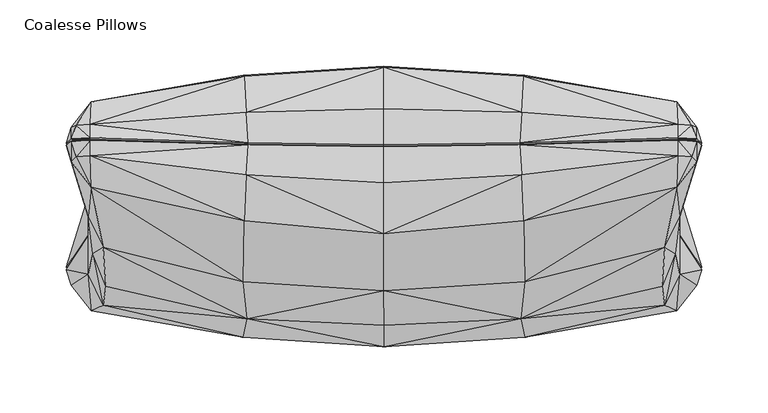
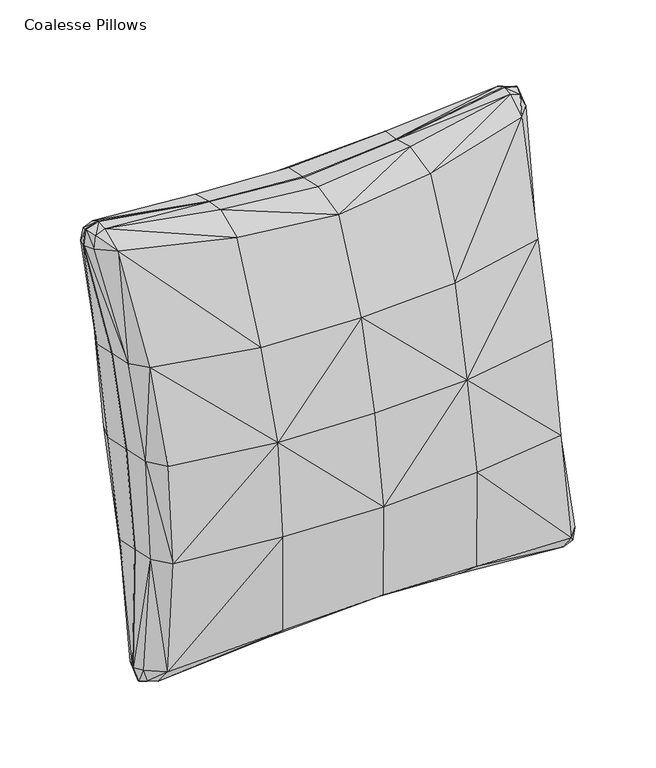
"""IFC4 building model written with IfcOpenShell, lengths in millimetres: furniture geometry, Coalesse Pillows."""

from ifc_helpers import new_model, si_unit, origin, place, context, project, spatial, triangles, source, transform, mapped, element, save


def coalesse_pillows_51412530(model_context):
    return source(origin(), model_context, "Body", "Tessellation", [
        triangles([(0.0007767, -20.6252127, 443.2149161), (0.0007799, -63.9202445, 350.4573875), (106.2746723, -56.9883047, 348.9054111), (105.8124821, -10.9353472, 447.9091427), (0.0007818, -89.7054529, 255.7040687), (103.4107482, -84.9586042, 254.6738082), (212.4144509, -31.0219641, 346.9980783), (221.1416798, 14.5798559, 457.3917034), (210.2189635, -60.4726624, 249.3592162), (222.0463484, 38.4239673, 469.4511054), (104.0326489, 23.8197511, 458.5607818), (0.0007738, 18.0215506, 452.5423991), (220.1141626, -35.8377948, 244.0123768), (223.6261939, -7.8186617, 341.6813244), (236.3982159, 33.9021753, 453.3356283), (232.8559902, 37.6138424, 465.3564425), (102.5284347, 46.509157, 453.5044044), (0.0007718, 45.0244683, 446.6728809), (222.0598105, 50.1318146, 470.0569187), (236.2873941, 49.3623258, 466.31674), (240.3162543, 46.1047985, 451.4463178), (223.6976103, 20.9297953, 335.6606163), (220.1281697, -0.6210818, 236.3686937), (102.6916515, 46.9884655, 451.5203685), (0.0007718, 45.5048896, 444.6850299), (221.9570552, 50.6062679, 468.1886825), (235.1064888, 49.9121969, 464.9908399), (238.6095634, 46.9151187, 451.1822714), (221.860713, 21.8351066, 335.6304946), (218.2847503, 0.2497345, 236.1796791), (0.0007673, 105.075227, 415.9322064), (105.812473, 98.2033172, 424.2211264), (106.2746541, 99.0693163, 315.033823), (0.0007672, 106.0209087, 313.5724297), (103.4107392, 85.4580377, 217.6856044), (0.0007684, 90.2048864, 216.6553439), (221.1416798, 78.9150505, 443.4280209), (212.4144509, 74.6486775, 324.0626687), (210.2189635, 60.9721186, 223.0001965), (222.0463484, 62.2157882, 464.2871764), (104.0326398, 70.9912018, 448.3224532), (0.0007696, 73.7726909, 440.4418659), (220.1141626, 36.3372442, 228.3470903), (223.6261939, 51.329098, 328.8435542), (236.3982159, 59.6498565, 447.7471976), (232.8559902, 61.2555225, 460.2251424), (102.5284347, 48.2471959, 453.1272471), (0.0007717, 46.7661998, 446.294888), (222.0598105, 51.8125351, 469.6920791), (236.2873941, 50.9622554, 465.9694865), (240.3162543, 47.7619648, 451.086674), (223.6976103, 22.6714268, 335.2825871), (220.1281697, 1.1205513, 235.9906644), (-105.8109288, -10.9353745, 447.9091427), (-106.2731099, -56.9883184, 348.9054111), (-103.4091858, -84.9586224, 254.6738082), (-221.1401719, 14.5798218, 457.3917034), (-212.4129066, -31.0219936, 346.9980783), (-210.2174011, -60.4726942, 249.3592162), (-222.044786, 38.4239355, 469.4511054), (-104.0311046, 23.8197352, 458.5607818), (-220.112582, -35.8378243, 244.0123768), (-223.6246133, -7.8186952, 341.6813244), (-236.3966171, 33.902139, 453.3356283), (-232.8543915, 37.613806, 465.3564425), (-102.5268814, 46.5091433, 453.5044044), (-222.0582481, 50.1317738, 470.0569187), (-236.2858681, 49.3622895, 466.31674), (-240.3146919, 46.1047621, 451.4463178), (-223.6960297, 20.9297613, 335.6606163), (-220.1266255, -0.6211389, 236.3687482), (-102.6900982, 46.9884518, 451.5202231), (-221.9555291, 50.6062361, 468.1886825), (-235.1049263, 49.9121605, 464.9908399), (-238.6080192, 46.9150824, 451.1822714), (-221.8591324, 21.8350726, 335.6304946), (-218.2831879, 0.2496778, 236.1796791), (-106.2731189, 99.0692981, 315.033823), (-105.8109379, 98.203299, 424.2211264), (-103.409204, 85.4580105, 217.6856044), (-212.4129066, 74.6486503, 324.0626687), (-221.1401719, 78.9150232, 443.4280209), (-210.2174011, 60.9720868, 223.0001965), (-222.044786, 62.2157609, 464.2871764), (-104.0311046, 70.9911882, 448.3224532), (-220.112582, 36.3372147, 228.3470903), (-223.6246133, 51.3290708, 328.8435542), (-236.3966171, 59.6498156, 447.7471976), (-232.8543915, 61.2554861, 460.2251424), (-102.5268814, 48.2471822, 453.1272471), (-222.0582481, 51.8125078, 469.6920791), (-236.2858681, 50.9622191, 465.9694865), (-240.3146919, 47.7619284, 451.086674), (-223.6960297, 22.6713951, 335.2825871), (-220.1266255, 1.1204941, 235.9907371), (0.000783, -105.0755358, 54.1247441), (105.8124912, -98.2035897, 45.8357924), (106.2746723, -99.0692709, 155.0246218), (0.000783, -106.0208724, 156.485997), (221.1416798, -78.9153048, 26.628882), (212.4144509, -74.6486094, 145.995767), (222.0463484, -62.2160289, 5.7697298), (104.032658, -70.991488, 21.7344769), (0.0007806, -73.7729725, 29.6150437), (223.6261939, -51.3290208, 141.2148815), (236.3982159, -59.6501063, 22.3097211), (232.8559902, -61.2557814, 9.8317866), (102.5284347, -48.2474911, 16.9296568), (0.0007786, -46.7665086, 23.7620466), (222.0598105, -51.8128031, 0.3647804), (236.2873941, -50.9625098, 4.0875077), (240.3162543, -47.7622418, 18.970281), (223.6976103, -22.6713701, 134.7759032), (0.0007785, -45.5052121, 25.3718502), (102.6916515, -46.9887607, 18.5365979), (221.9570552, -50.6065404, 1.8682182), (235.1064888, -49.9124694, 5.0660374), (238.6095634, -46.9153912, 18.8746155), (221.860713, -21.8350476, 134.427932), (0.0007736, 20.6249039, 26.841998), (0.0007704, 63.9202535, 119.6010391), (106.2746541, 56.9883275, 121.1530246), (105.8124821, 10.935035, 22.1477147), (212.4144509, 31.0220186, 123.0604391), (221.1416798, -14.5801375, 12.6652414), (222.0463484, -38.4242217, 0.6058514), (104.0326489, -23.8200554, 11.4960972), (0.0007765, -18.0218651, 17.5145264), (223.6261939, 7.8187258, 128.3771113), (236.3982159, -33.9024478, 16.7213086), (232.8559902, -37.6141217, 4.7004818), (102.5284347, -46.5094522, 16.552419), (0.0007785, -45.0247772, 23.3839742), (222.0598105, -50.1320826, 0.0), (236.2873941, -49.3625802, 3.7402511), (240.3162543, -46.1050755, 18.6106259), (223.6976103, -20.9297363, 134.3978376), (-106.2731099, -99.069289, 155.0246218), (-105.8109288, -98.203617, 45.8357924), (-212.4129066, -74.6486412, 145.995767), (-221.1401719, -78.9153412, 26.628941), (-222.044786, -62.2160561, 5.7697298), (-104.0310956, -70.9915016, 21.7344769), (-223.6246133, -51.3290481, 141.2148815), (-236.3966171, -59.6501472, 22.3097211), (-232.8543915, -61.2558177, 9.8317866), (-102.5268814, -48.2474956, 16.9297159), (-222.0582481, -51.8128167, 0.3648997), (-236.2858681, -50.9625461, 4.0875077), (-240.3146919, -47.7622781, 18.970281), (-223.6960297, -22.6714041, 134.7759032), (-102.6900982, -46.9887743, 18.5365979), (-221.9555291, -50.6065722, 1.8682182), (-235.1049263, -49.9125057, 5.0660374), (-238.6080192, -46.9154276, 18.8746155), (-221.8591324, -21.8350816, 134.427932), (-105.8109288, 10.9350202, 22.1477147), (-106.2731189, 56.9883138, 121.1530246), (-221.1401719, -14.5801704, 12.6652414), (-212.4129066, 31.0219891, 123.0604391), (-222.044786, -38.4242489, 0.6058514), (-104.0311046, -23.8200713, 11.4960972), (-223.6246133, 7.8186923, 128.3771113), (-236.3966171, -33.9024841, 16.7213086), (-232.8543915, -37.6141603, 4.7004818), (-102.5268814, -46.5094658, 16.552419), (-222.0582481, -50.1321099, 0.0), (-236.2858681, -49.3626165, 3.7402511), (-240.3146919, -46.1051118, 18.6106259), (-223.6960297, -20.9297703, 134.3978376)], [[1, 2, 3], [1, 3, 4], [2, 5, 6], [2, 6, 3], [3, 7, 8], [3, 8, 4], [6, 9, 7], [6, 7, 3], [10, 11, 4], [10, 4, 8], [1, 4, 11], [1, 11, 12], [13, 14, 7], [13, 7, 9], [8, 7, 14], [8, 14, 15], [16, 10, 8], [16, 8, 15], [17, 18, 12], [17, 12, 11], [17, 11, 10], [17, 10, 19], [19, 10, 16], [19, 16, 20], [20, 16, 15], [20, 15, 21], [21, 15, 14], [21, 14, 22], [22, 14, 13], [22, 13, 23], [17, 24, 25], [17, 25, 18], [24, 17, 19], [24, 19, 26], [26, 19, 20], [26, 20, 27], [27, 20, 21], [27, 21, 28], [28, 21, 22], [28, 22, 29], [29, 22, 23], [29, 23, 30], [31, 32, 33], [31, 33, 34], [34, 33, 35], [34, 35, 36], [33, 32, 37], [33, 37, 38], [35, 33, 38], [35, 38, 39], [40, 37, 32], [40, 32, 41], [31, 42, 41], [31, 41, 32], [43, 39, 38], [43, 38, 44], [37, 45, 44], [37, 44, 38], [46, 45, 37], [46, 37, 40], [47, 41, 42], [47, 42, 48], [47, 49, 40], [47, 40, 41], [49, 50, 46], [49, 46, 40], [50, 51, 45], [50, 45, 46], [51, 52, 44], [51, 44, 45], [52, 53, 43], [52, 43, 44], [47, 48, 25], [47, 25, 24], [24, 26, 49], [24, 49, 47], [26, 27, 50], [26, 50, 49], [27, 28, 51], [27, 51, 50], [28, 29, 52], [28, 52, 51], [29, 30, 53], [29, 53, 52], [1, 54, 55], [1, 55, 2], [2, 55, 56], [2, 56, 5], [55, 54, 57], [55, 57, 58], [56, 55, 58], [56, 58, 59], [60, 57, 54], [60, 54, 61], [1, 12, 61], [1, 61, 54], [62, 59, 58], [62, 58, 63], [57, 64, 63], [57, 63, 58], [65, 64, 57], [65, 57, 60], [66, 61, 12], [66, 12, 18], [66, 67, 60], [66, 60, 61], [67, 68, 65], [67, 65, 60], [68, 69, 64], [68, 64, 65], [69, 70, 63], [69, 63, 64], [70, 71, 62], [70, 62, 63], [66, 18, 25], [66, 25, 72], [72, 73, 67], [72, 67, 66], [73, 74, 68], [73, 68, 67], [74, 75, 69], [74, 69, 68], [75, 76, 70], [75, 70, 69], [76, 77, 71], [76, 71, 70], [31, 34, 78], [31, 78, 79], [34, 36, 80], [34, 80, 78], [78, 81, 82], [78, 82, 79], [80, 83, 81], [80, 81, 78], [84, 85, 79], [84, 79, 82], [31, 79, 85], [31, 85, 42], [86, 87, 81], [86, 81, 83], [82, 81, 87], [82, 87, 88], [89, 84, 82], [89, 82, 88], [90, 48, 42], [90, 42, 85], [90, 85, 84], [90, 84, 91], [91, 84, 89], [91, 89, 92], [92, 89, 88], [92, 88, 93], [93, 88, 87], [93, 87, 94], [94, 87, 86], [94, 86, 95], [90, 72, 25], [90, 25, 48], [72, 90, 91], [72, 91, 73], [73, 91, 92], [73, 92, 74], [74, 92, 93], [74, 93, 75], [75, 93, 94], [75, 94, 76], [76, 94, 95], [76, 95, 77], [96, 97, 98], [96, 98, 99], [99, 98, 6], [99, 6, 5], [98, 97, 100], [98, 100, 101], [6, 98, 101], [6, 101, 9], [102, 100, 97], [102, 97, 103], [96, 104, 103], [96, 103, 97], [13, 9, 101], [13, 101, 105], [100, 106, 105], [100, 105, 101], [107, 106, 100], [107, 100, 102], [108, 103, 104], [108, 104, 109], [108, 110, 102], [108, 102, 103], [110, 111, 107], [110, 107, 102], [111, 112, 106], [111, 106, 107], [112, 113, 105], [112, 105, 106], [113, 23, 13], [113, 13, 105], [108, 109, 114], [108, 114, 115], [115, 116, 110], [115, 110, 108], [116, 117, 111], [116, 111, 110], [117, 118, 112], [117, 112, 111], [118, 119, 113], [118, 113, 112], [119, 30, 23], [119, 23, 113], [120, 121, 122], [120, 122, 123], [121, 36, 35], [121, 35, 122], [122, 124, 125], [122, 125, 123], [35, 39, 124], [35, 124, 122], [126, 127, 123], [126, 123, 125], [120, 123, 127], [120, 127, 128], [43, 129, 124], [43, 124, 39], [125, 124, 129], [125, 129, 130], [131, 126, 125], [131, 125, 130], [132, 133, 128], [132, 128, 127], [132, 127, 126], [132, 126, 134], [134, 126, 131], [134, 131, 135], [135, 131, 130], [135, 130, 136], [136, 130, 129], [136, 129, 137], [137, 129, 43], [137, 43, 53], [132, 115, 114], [132, 114, 133], [115, 132, 134], [115, 134, 116], [116, 134, 135], [116, 135, 117], [117, 135, 136], [117, 136, 118], [118, 136, 137], [118, 137, 119], [119, 137, 53], [119, 53, 30], [96, 99, 138], [96, 138, 139], [99, 5, 56], [99, 56, 138], [138, 140, 141], [138, 141, 139], [56, 59, 140], [56, 140, 138], [142, 143, 139], [142, 139, 141], [96, 139, 143], [96, 143, 104], [62, 144, 140], [62, 140, 59], [141, 140, 144], [141, 144, 145], [146, 142, 141], [146, 141, 145], [147, 109, 104], [147, 104, 143], [147, 143, 142], [147, 142, 148], [148, 142, 146], [148, 146, 149], [149, 146, 145], [149, 145, 150], [150, 145, 144], [150, 144, 151], [151, 144, 62], [151, 62, 71], [147, 152, 114], [147, 114, 109], [152, 147, 148], [152, 148, 153], [153, 148, 149], [153, 149, 154], [154, 149, 150], [154, 150, 155], [155, 150, 151], [155, 151, 156], [156, 151, 71], [156, 71, 77], [120, 157, 158], [120, 158, 121], [121, 158, 80], [121, 80, 36], [158, 157, 159], [158, 159, 160], [80, 158, 160], [80, 160, 83], [161, 159, 157], [161, 157, 162], [120, 128, 162], [120, 162, 157], [86, 83, 160], [86, 160, 163], [159, 164, 163], [159, 163, 160], [165, 164, 159], [165, 159, 161], [166, 162, 128], [166, 128, 133], [166, 167, 161], [166, 161, 162], [167, 168, 165], [167, 165, 161], [168, 169, 164], [168, 164, 165], [169, 170, 163], [169, 163, 164], [170, 95, 86], [170, 86, 163], [166, 133, 114], [166, 114, 152], [152, 153, 167], [152, 167, 166], [153, 154, 168], [153, 168, 167], [154, 155, 169], [154, 169, 168], [155, 156, 170], [155, 170, 169], [156, 77, 95], [156, 95, 170]]),
    ])


if __name__ == "__main__":
    model = new_model("IFC4")
    model_context = context("Model", 3, world=origin())
    ifc_project = project(units=[si_unit("LENGTHUNIT", "METRE", prefix="MILLI")], contexts=[model_context])
    site = spatial("IfcSite", under=ifc_project)
    building = spatial("IfcBuilding", under=site)
    placement = place(None, origin())
    coalesse_pillows_shape = coalesse_pillows_51412530(model_context)
    element("IfcFurniture", 1, ObjectType="Coalesse Pillows", at=placement, inside=building, context=model_context, shape_type="MappedRepresentation", body=[
        mapped(coalesse_pillows_shape, transform((0.0, 0.0, 0.0), x_axis=(1.0, 0.0, 0.0), y_axis=(0.0, 1.0, 0.0), z_axis=(0.0, 0.0, 1.0))),
    ])
    save(model, "model.ifc")
